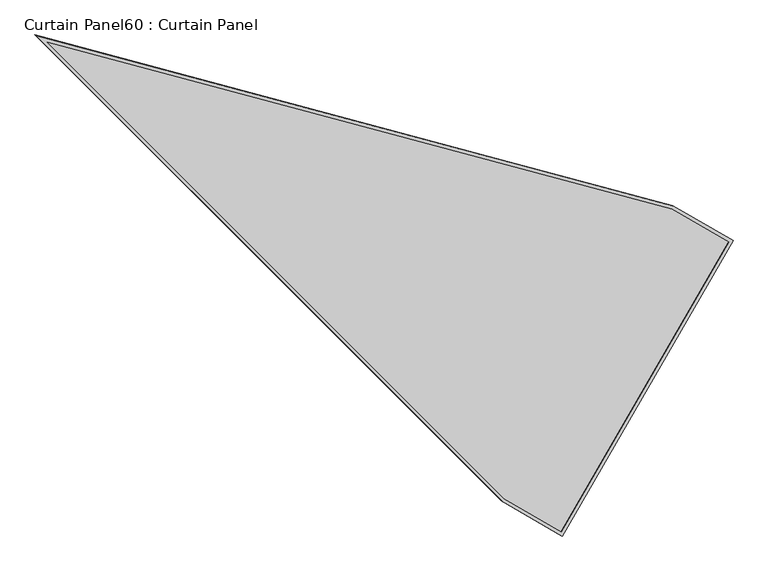
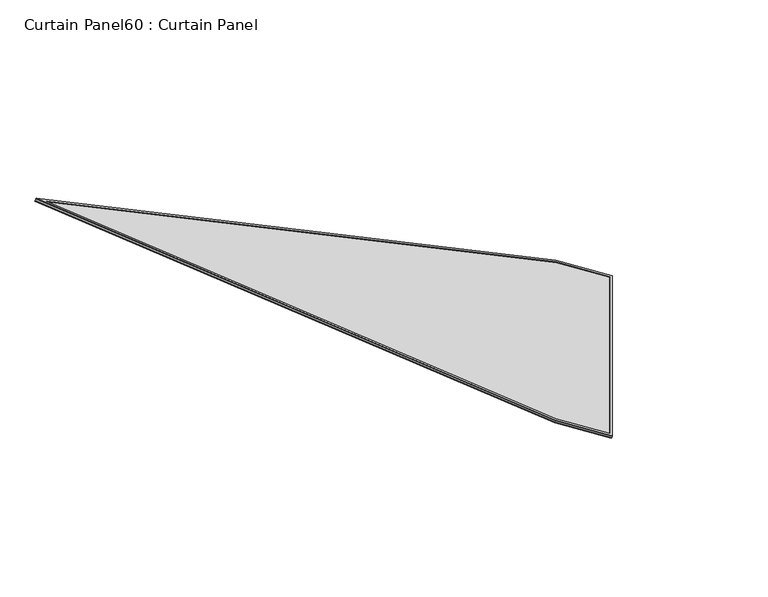
"""IFC4 building model written with IfcOpenShell, lengths in millimetres: plate geometry, Curtain Panel60 : Curtain Panel."""

import ifcopenshell
import ifcopenshell.guid

model = None  # the IFC model being written
_history = None  # IfcOwnerHistory: only IFC2X3 demands one
_inside = {}  # id of a spatial element -> (the spatial element, [elements in it])
_under = {}  # id of a project, library or spatial element -> (it, [spatial elements below it])
_declared = {}  # id of a project -> (the project, [libraries it declares])
_typed = {}  # id of a type object -> (the type object, [elements of that type])
_made_of = {}  # id of a material, layer set ... -> (it, [elements and type objects made of it])


def new_model(schema):
    """Start an empty IFC model of exactly this schema.

    Asked for "IFC4X3", IfcOpenShell would pick the latest addendum, in which some entities
    have other attributes; the version numbers below select the first issue.
    IFC2X3 requires an IfcOwnerHistory on every rooted entity: one is made here for all.
    """
    global model, _history
    if schema == "IFC4X3":
        model = ifcopenshell.file(schema_version=(4, 3, 0, 0))
    else:
        model = ifcopenshell.file(schema=schema)
    _inside.clear()
    _under.clear()
    _declared.clear()
    _typed.clear()
    _made_of.clear()
    _history = None
    if model.schema == "IFC2X3":
        org = make("IfcOrganization", Name="unknown")
        user = make(
            "IfcPersonAndOrganization",
            ThePerson=make("IfcPerson", FamilyName="unknown"),
            TheOrganization=org,
        )
        app = make(
            "IfcApplication",
            ApplicationDeveloper=org,
            Version="unknown",
            ApplicationFullName="unknown",
            ApplicationIdentifier="unknown",
        )
        _history = make(
            "IfcOwnerHistory",
            OwningUser=user,
            OwningApplication=app,
            ChangeAction="ADDED",
            CreationDate=0,
        )
    return model


def make(cls, **values):
    """One entity of the class cls with the attributes given. An attribute that is None is left unset."""
    return model.create_entity(
        cls, **{name: value for name, value in values.items() if value is not None}
    )


def rooted(cls, **values):
    """An entity with a GlobalId (a new one), such as an element, a storey or a relation."""
    return make(cls, GlobalId=ifcopenshell.guid.new(), OwnerHistory=_history, **values)


def si_unit(unit_type, name, prefix=None):
    """IfcSIUnit, for example si_unit("LENGTHUNIT", "METRE", prefix="MILLI")."""
    return make("IfcSIUnit", UnitType=unit_type, Prefix=prefix, Name=name)


def assignment(units):
    """IfcUnitAssignment: the units of a project."""
    return None if units is None else make("IfcUnitAssignment", Units=units)


def point(xyz):
    """IfcCartesianPoint."""
    return None if xyz is None else make("IfcCartesianPoint", Coordinates=xyz)


def direction(xyz):
    """IfcDirection."""
    return None if xyz is None else make("IfcDirection", DirectionRatios=xyz)


def frame(location, z_axis=None, x_axis=None):
    """IfcAxis2Placement3D, a coordinate frame: its origin and axes. An axis left out is left unset."""
    return make(
        "IfcAxis2Placement3D",
        Location=point(location),
        Axis=direction(z_axis),
        RefDirection=direction(x_axis),
    )


def origin():
    """The frame at (0, 0, 0) with its axes left unset."""
    return frame((0.0, 0.0, 0.0))


def place(relative_to, where):
    """IfcLocalPlacement: puts the frame where relative to a parent placement (None: the world)."""
    return make(
        "IfcLocalPlacement", PlacementRelTo=relative_to, RelativePlacement=where
    )


def context(
    kind, dimensions, precision=None, world=None, true_north=None, identifier=None
):
    """IfcGeometricRepresentationContext, for example the 3D "Model" context."""
    return make(
        "IfcGeometricRepresentationContext",
        ContextIdentifier=identifier,
        ContextType=kind,
        CoordinateSpaceDimension=dimensions,
        Precision=precision,
        WorldCoordinateSystem=world,
        TrueNorth=true_north,
    )


def project(units=None, contexts=None):
    """IfcProject with its units and contexts."""
    return rooted(
        "IfcProject",
        Name="project",
        RepresentationContexts=contexts,
        UnitsInContext=assignment(units),
    )


def spatial(cls, under=None, at=None, **own):
    """A site, building, storey or space (cls), placed at a placement, below another one or the project."""
    s = rooted(cls, ObjectPlacement=at, **own)
    if under is not None:
        _under.setdefault(under.id(), (under, []))[1].append(s)
    return s


def polyline(points):
    """IfcPolyline through the points."""
    return make("IfcPolyline", Points=[point(p) for p in points])


def outline(outer, holes=None, kind="AREA"):
    """IfcArbitraryClosedProfileDef: a profile drawn as a closed curve; with holes, ...WithVoids."""
    if holes is None:
        return make("IfcArbitraryClosedProfileDef", ProfileType=kind, OuterCurve=outer)
    return make(
        "IfcArbitraryProfileDefWithVoids",
        ProfileType=kind,
        OuterCurve=outer,
        InnerCurves=holes,
    )


def extrude(swept, where, along, depth):
    """IfcExtrudedAreaSolid: the profile swept, set in the frame where, extruded along a direction by depth."""
    return make(
        "IfcExtrudedAreaSolid",
        SweptArea=swept,
        Position=where,
        ExtrudedDirection=direction(along),
        Depth=depth,
    )


def shape(context_of_items, identifier, shape_type, items):
    """IfcShapeRepresentation: the items that make up one representation, for example the "Body"."""
    return make(
        "IfcShapeRepresentation",
        ContextOfItems=context_of_items,
        RepresentationIdentifier=identifier,
        RepresentationType=shape_type,
        Items=items,
    )


def source(mapping_origin, context_of_items, identifier, shape_type, items):
    """IfcRepresentationMap: a shape defined once, which mapped items show again and again."""
    return make(
        "IfcRepresentationMap",
        MappingOrigin=mapping_origin,
        MappedRepresentation=shape(context_of_items, identifier, shape_type, items),
    )


def transform(
    local_origin,
    x_axis=None,
    y_axis=None,
    z_axis=None,
    scale=None,
    scale2=None,
    scale3=None,
    uniform=True,
):
    """IfcCartesianTransformationOperator3D, or its non-uniform kind. x_axis, y_axis, z_axis: its Axis1, 2, 3."""
    if uniform:
        return make(
            "IfcCartesianTransformationOperator3D",
            Axis1=direction(x_axis),
            Axis2=direction(y_axis),
            LocalOrigin=point(local_origin),
            Scale=scale,
            Axis3=direction(z_axis),
        )
    return make(
        "IfcCartesianTransformationOperator3DnonUniform",
        Axis1=direction(x_axis),
        Axis2=direction(y_axis),
        LocalOrigin=point(local_origin),
        Scale=scale,
        Axis3=direction(z_axis),
        Scale2=scale2,
        Scale3=scale3,
    )


def mapped(mapping_source, mapping_target):
    """IfcMappedItem: shows the shape of a source again, moved by a transform."""
    return make(
        "IfcMappedItem", MappingSource=mapping_source, MappingTarget=mapping_target
    )


def made_of(thing, what):
    """Note that an element or type object is made of a material, layer set ...; save() writes the relation."""
    if what is not None:
        _made_of.setdefault(what.id(), (what, []))[1].append(thing)
    return thing


def element(
    cls,
    number,
    at=None,
    inside=None,
    cuts=None,
    type_object=None,
    material=None,
    context=None,
    identifier="Body",
    shape_type=None,
    held_by="IfcProductDefinitionShape",
    body=None,
    shapes=None,
    **own,
):
    """One element of the class cls, such as IfcWall. Its Tag is "e" and its number.

    at: its placement. inside: the storey or other place that contains it. cuts: it is an
    opening in that element (IfcRelVoidsElement). A single representation is given by context,
    identifier, shape_type and body (its items); several are given by shapes. held_by: the class
    of the entity that holds the representations. save() writes the other relations.
    """
    e = rooted(cls, Tag="e%d" % number, ObjectPlacement=at, **own)
    if body is not None:
        shapes = [shape(context, identifier, shape_type, body)]
    if shapes is not None:
        e.Representation = make(held_by, Representations=shapes)
    if inside is not None:
        _inside.setdefault(inside.id(), (inside, []))[1].append(e)
    if cuts is not None:
        rooted(
            "IfcRelVoidsElement", RelatingBuildingElement=cuts, RelatedOpeningElement=e
        )
    if type_object is not None:
        _typed.setdefault(type_object.id(), (type_object, []))[1].append(e)
    return made_of(e, material)


def aggregate(whole, parts):
    """IfcRelAggregates: a whole, such as a stair, and the parts it consists of."""
    return rooted("IfcRelAggregates", RelatingObject=whole, RelatedObjects=parts)


def save(model, path):
    """Write the relations noted so far, then the file.

    IfcRelAggregates (storeys below a building ...), IfcRelContainedInSpatialStructure (elements
    in a storey), IfcRelDefinesByType, IfcRelAssociatesMaterial and IfcRelDeclares: one each for
    every whole, place, type object, material and project.
    """
    for whole, parts in _under.values():
        aggregate(whole, parts)
    for where, things in _inside.values():
        rooted(
            "IfcRelContainedInSpatialStructure",
            RelatedElements=things,
            RelatingStructure=where,
        )
    for kind, things in _typed.values():
        rooted("IfcRelDefinesByType", RelatedObjects=things, RelatingType=kind)
    for what, things in _made_of.values():
        rooted("IfcRelAssociatesMaterial", RelatedObjects=things, RelatingMaterial=what)
    for by, libraries in _declared.values():
        rooted("IfcRelDeclares", RelatingContext=by, RelatedDefinitions=libraries)
    model.write(path)


def curtain_panel60_curtain_panel_34c71692(model_context):
    return source(origin(), model_context, "Body", "SweptSolid", [
        extrude(outline(polyline([(847.432027, -3696.0309868), (0.0, -362.3912513), (0.0, 0.0), (1694.8442516, -1e-07), (1694.8442517, -362.4691503), (847.432027, -3696.0309868)]), holes=[polyline([(1678.1814537, -16.6627979), (16.6627979, -16.6627979), (16.6627979, -360.3065099), (847.432027, -3628.3979025), (1678.1814537, -360.3844089), (1678.1814537, -16.6627979)])]), frame((15793.9278519, 289.9900795, 1929.9342405), z_axis=(0.2737903148616796, -0.15807291198690634, 0.9487106081329134), x_axis=(-0.5000000000000073, -0.8660254037844345, 0.0)), (0.0, 0.0, 1.0), 4.8339674),
        extrude(outline(polyline([(847.432027, -3696.0309868), (0.0, -362.3912512), (0.0, 0.0), (1694.8442516, 0.0), (1694.8442516, -362.4691502), (847.432027, -3696.0309868)]), holes=[polyline([(1684.5314537, -10.3127979), (10.3127979, -10.3127979), (10.3127979, -361.1009808), (847.432027, -3654.1720905), (1684.5314538, -361.1788797), (1684.5314537, -10.3127979)])]), frame((15789.1023556, 292.7760811, 1913.2134171), z_axis=(0.27379031486168715, -0.1580729119869101, 0.9487106081329105), x_axis=(-0.5000000000000062, -0.8660254037844352, 0.0)), (0.0, 0.0, 1.0), 4.7767329),
        extrude(outline(polyline([(12.7000001, 0.0), (1707.5442516, 0.0), (1707.5442517, -362.4691502), (860.1320271, -3696.0309868), (12.7, -362.3912512), (12.7000001, 0.0)])), frame((15796.7601788, 303.0195317, 1917.7451542), z_axis=(0.2737903148616769, -0.15807291198690482, 0.9487106081329143), x_axis=(-0.5000000000000066, -0.8660254037844349, 0.0)), (0.0, 0.0, 1.0), 12.8480552),
    ])


if __name__ == "__main__":
    model = new_model("IFC4")
    model_context = context("Model", 3, world=origin())
    ifc_project = project(units=[si_unit("LENGTHUNIT", "METRE", prefix="MILLI")], contexts=[model_context])
    site = spatial("IfcSite", under=ifc_project)
    building = spatial("IfcBuilding", under=site)
    placement = place(None, origin())
    curtain_panel60_curtain_panel_shape = curtain_panel60_curtain_panel_34c71692(model_context)
    element("IfcPlate", 1, ObjectType="Curtain Panel60 : Curtain Panel", at=placement, inside=building, context=model_context, shape_type="MappedRepresentation", body=[
        mapped(curtain_panel60_curtain_panel_shape, transform((0.0, 0.0, 0.0), x_axis=(1.0, 0.0, 0.0), y_axis=(0.0, 1.0, 0.0), z_axis=(0.0, 0.0, 1.0))),
    ])
    save(model, "model.ifc")
